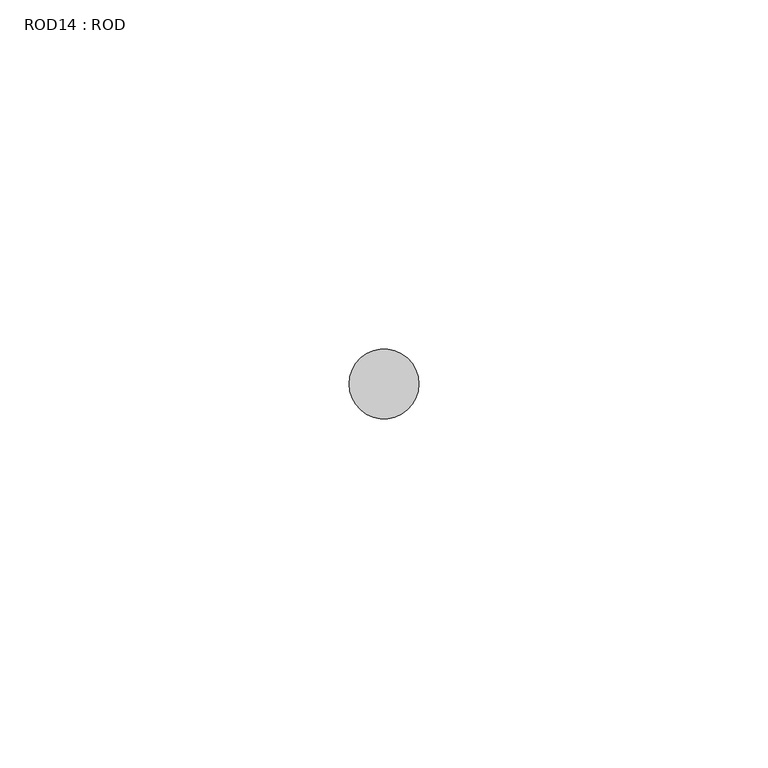
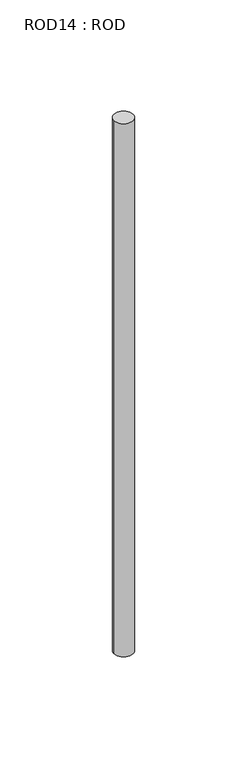
"""IFC4 building model written with IfcOpenShell, lengths in millimetres: proxy geometry, ROD14 : ROD."""

from ifc_helpers import new_model, si_unit, point, frame, frame_2d, origin, place, context, project, spatial, circle_curve, trimmed, segment, composite_curve, outline, extrude, source, transform, mapped, element, save


def rod14_rod_cc9f519a(model_context):
    return source(origin(), model_context, "Body", "SweptSolid", [
        extrude(outline(composite_curve([segment(trimmed(circle_curve(frame_2d((-7667.2215616, -1114.6300853)), 5.0), [point((-7672.2215616, -1114.6300853))], [point((-7662.2215616, -1114.6300853))], False, "CARTESIAN"), True, "CONTINUOUS"), segment(trimmed(circle_curve(frame_2d((-7667.2215616, -1114.6300853)), 5.0), [point((-7662.2215616, -1114.6300853))], [point((-7672.2215616, -1114.6300853))], False, "CARTESIAN"), True, "CONTINUOUS")], self_intersect=False)), frame((0.0, 0.0, -208.6608845), z_axis=(0.0, 0.0, 1.0), x_axis=(1.0, 0.0, 0.0)), (0.0, 0.0, 1.0), 298.9028972),
    ])


if __name__ == "__main__":
    model = new_model("IFC4")
    model_context = context("Model", 3, world=origin())
    ifc_project = project(units=[si_unit("LENGTHUNIT", "METRE", prefix="MILLI")], contexts=[model_context])
    site = spatial("IfcSite", under=ifc_project)
    building = spatial("IfcBuilding", under=site)
    placement = place(None, origin())
    rod14_rod_shape = rod14_rod_cc9f519a(model_context)
    element("IfcBuildingElementProxy", 1, Name="ROD14 : ROD", ObjectType="ROD14 : ROD", at=placement, inside=building, context=model_context, shape_type="MappedRepresentation", body=[
        mapped(rod14_rod_shape, transform((0.0, 0.0, 0.0), x_axis=(1.0, 0.0, 0.0), y_axis=(0.0, 1.0, 0.0), z_axis=(0.0, 0.0, 1.0))),
    ])
    save(model, "model.ifc")
